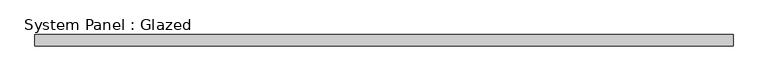
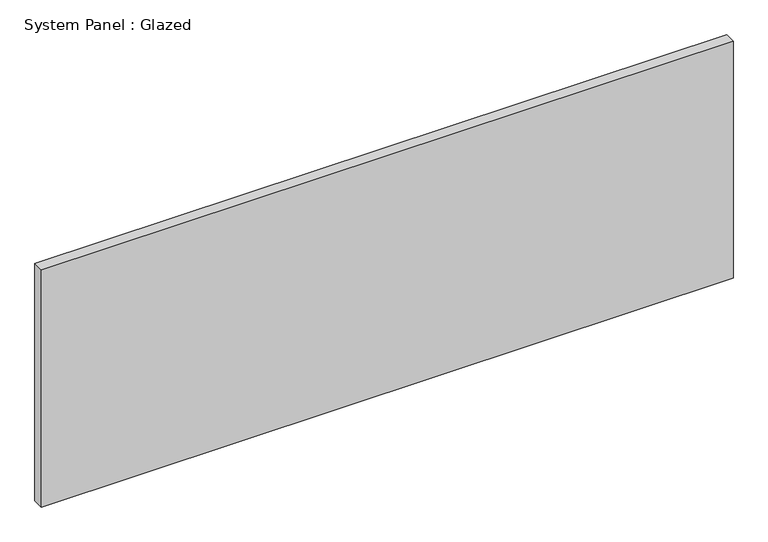
"""IFC4 building model written with IfcOpenShell, lengths in millimetres: plate geometry, System Panel : Glazed."""

from ifc_helpers import new_model, si_unit, origin, origin_with_axes, place, context, project, spatial, polyline, outline, extrude, source, transform, mapped, element, save


def system_panel_glazed_8acb239d(model_context):
    return source(origin(), model_context, "Body", "SweptSolid", [
        extrude(outline(polyline([(769.0628487, 24.5), (-769.0628487, 24.5), (-769.0628487, 49.5), (769.0628487, 49.5), (769.0628487, 24.5)])), origin_with_axes(), (0.0, 0.0, 1.0), 557.4833333),
    ])


if __name__ == "__main__":
    model = new_model("IFC4")
    model_context = context("Model", 3, world=origin())
    ifc_project = project(units=[si_unit("LENGTHUNIT", "METRE", prefix="MILLI")], contexts=[model_context])
    site = spatial("IfcSite", under=ifc_project)
    building = spatial("IfcBuilding", under=site)
    placement = place(None, origin())
    system_panel_glazed_shape = system_panel_glazed_8acb239d(model_context)
    element("IfcPlate", 1, ObjectType="System Panel : Glazed", at=placement, inside=building, context=model_context, shape_type="MappedRepresentation", body=[
        mapped(system_panel_glazed_shape, transform((0.0, 0.0, 0.0), x_axis=(1.0, 0.0, 0.0), y_axis=(0.0, 1.0, 0.0), z_axis=(0.0, 0.0, 1.0))),
    ])
    save(model, "model.ifc")
